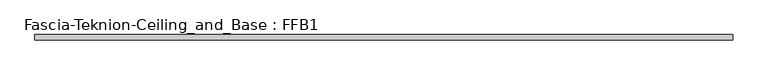
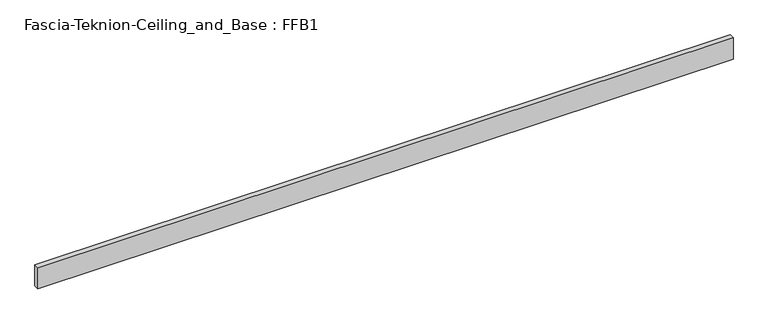
"""IFC4 building model written with IfcOpenShell, lengths in millimetres: proxy geometry, Fascia-Teknion-Ceiling_and_Base : FFB1."""

import ifcopenshell
import ifcopenshell.guid

model = None  # the IFC model being written
_history = None  # IfcOwnerHistory: only IFC2X3 demands one
_inside = {}  # id of a spatial element -> (the spatial element, [elements in it])
_under = {}  # id of a project, library or spatial element -> (it, [spatial elements below it])
_declared = {}  # id of a project -> (the project, [libraries it declares])
_typed = {}  # id of a type object -> (the type object, [elements of that type])
_made_of = {}  # id of a material, layer set ... -> (it, [elements and type objects made of it])


def new_model(schema):
    """Start an empty IFC model of exactly this schema.

    Asked for "IFC4X3", IfcOpenShell would pick the latest addendum, in which some entities
    have other attributes; the version numbers below select the first issue.
    IFC2X3 requires an IfcOwnerHistory on every rooted entity: one is made here for all.
    """
    global model, _history
    if schema == "IFC4X3":
        model = ifcopenshell.file(schema_version=(4, 3, 0, 0))
    else:
        model = ifcopenshell.file(schema=schema)
    _inside.clear()
    _under.clear()
    _declared.clear()
    _typed.clear()
    _made_of.clear()
    _history = None
    if model.schema == "IFC2X3":
        org = make("IfcOrganization", Name="unknown")
        user = make(
            "IfcPersonAndOrganization",
            ThePerson=make("IfcPerson", FamilyName="unknown"),
            TheOrganization=org,
        )
        app = make(
            "IfcApplication",
            ApplicationDeveloper=org,
            Version="unknown",
            ApplicationFullName="unknown",
            ApplicationIdentifier="unknown",
        )
        _history = make(
            "IfcOwnerHistory",
            OwningUser=user,
            OwningApplication=app,
            ChangeAction="ADDED",
            CreationDate=0,
        )
    return model


def make(cls, **values):
    """One entity of the class cls with the attributes given. An attribute that is None is left unset."""
    return model.create_entity(
        cls, **{name: value for name, value in values.items() if value is not None}
    )


def rooted(cls, **values):
    """An entity with a GlobalId (a new one), such as an element, a storey or a relation."""
    return make(cls, GlobalId=ifcopenshell.guid.new(), OwnerHistory=_history, **values)


def si_unit(unit_type, name, prefix=None):
    """IfcSIUnit, for example si_unit("LENGTHUNIT", "METRE", prefix="MILLI")."""
    return make("IfcSIUnit", UnitType=unit_type, Prefix=prefix, Name=name)


def assignment(units):
    """IfcUnitAssignment: the units of a project."""
    return None if units is None else make("IfcUnitAssignment", Units=units)


def point(xyz):
    """IfcCartesianPoint."""
    return None if xyz is None else make("IfcCartesianPoint", Coordinates=xyz)


def direction(xyz):
    """IfcDirection."""
    return None if xyz is None else make("IfcDirection", DirectionRatios=xyz)


def frame(location, z_axis=None, x_axis=None):
    """IfcAxis2Placement3D, a coordinate frame: its origin and axes. An axis left out is left unset."""
    return make(
        "IfcAxis2Placement3D",
        Location=point(location),
        Axis=direction(z_axis),
        RefDirection=direction(x_axis),
    )


def origin():
    """The frame at (0, 0, 0) with its axes left unset."""
    return frame((0.0, 0.0, 0.0))


def origin_with_axes():
    """The frame at (0, 0, 0) with the z axis (0, 0, 1) and the x axis (1, 0, 0) written out."""
    return frame((0.0, 0.0, 0.0), z_axis=(0.0, 0.0, 1.0), x_axis=(1.0, 0.0, 0.0))


def place(relative_to, where):
    """IfcLocalPlacement: puts the frame where relative to a parent placement (None: the world)."""
    return make(
        "IfcLocalPlacement", PlacementRelTo=relative_to, RelativePlacement=where
    )


def context(
    kind, dimensions, precision=None, world=None, true_north=None, identifier=None
):
    """IfcGeometricRepresentationContext, for example the 3D "Model" context."""
    return make(
        "IfcGeometricRepresentationContext",
        ContextIdentifier=identifier,
        ContextType=kind,
        CoordinateSpaceDimension=dimensions,
        Precision=precision,
        WorldCoordinateSystem=world,
        TrueNorth=true_north,
    )


def project(units=None, contexts=None):
    """IfcProject with its units and contexts."""
    return rooted(
        "IfcProject",
        Name="project",
        RepresentationContexts=contexts,
        UnitsInContext=assignment(units),
    )


def spatial(cls, under=None, at=None, **own):
    """A site, building, storey or space (cls), placed at a placement, below another one or the project."""
    s = rooted(cls, ObjectPlacement=at, **own)
    if under is not None:
        _under.setdefault(under.id(), (under, []))[1].append(s)
    return s


def polyline(points):
    """IfcPolyline through the points."""
    return make("IfcPolyline", Points=[point(p) for p in points])


def outline(outer, holes=None, kind="AREA"):
    """IfcArbitraryClosedProfileDef: a profile drawn as a closed curve; with holes, ...WithVoids."""
    if holes is None:
        return make("IfcArbitraryClosedProfileDef", ProfileType=kind, OuterCurve=outer)
    return make(
        "IfcArbitraryProfileDefWithVoids",
        ProfileType=kind,
        OuterCurve=outer,
        InnerCurves=holes,
    )


def extrude(swept, where, along, depth):
    """IfcExtrudedAreaSolid: the profile swept, set in the frame where, extruded along a direction by depth."""
    return make(
        "IfcExtrudedAreaSolid",
        SweptArea=swept,
        Position=where,
        ExtrudedDirection=direction(along),
        Depth=depth,
    )


def shape(context_of_items, identifier, shape_type, items):
    """IfcShapeRepresentation: the items that make up one representation, for example the "Body"."""
    return make(
        "IfcShapeRepresentation",
        ContextOfItems=context_of_items,
        RepresentationIdentifier=identifier,
        RepresentationType=shape_type,
        Items=items,
    )


def source(mapping_origin, context_of_items, identifier, shape_type, items):
    """IfcRepresentationMap: a shape defined once, which mapped items show again and again."""
    return make(
        "IfcRepresentationMap",
        MappingOrigin=mapping_origin,
        MappedRepresentation=shape(context_of_items, identifier, shape_type, items),
    )


def transform(
    local_origin,
    x_axis=None,
    y_axis=None,
    z_axis=None,
    scale=None,
    scale2=None,
    scale3=None,
    uniform=True,
):
    """IfcCartesianTransformationOperator3D, or its non-uniform kind. x_axis, y_axis, z_axis: its Axis1, 2, 3."""
    if uniform:
        return make(
            "IfcCartesianTransformationOperator3D",
            Axis1=direction(x_axis),
            Axis2=direction(y_axis),
            LocalOrigin=point(local_origin),
            Scale=scale,
            Axis3=direction(z_axis),
        )
    return make(
        "IfcCartesianTransformationOperator3DnonUniform",
        Axis1=direction(x_axis),
        Axis2=direction(y_axis),
        LocalOrigin=point(local_origin),
        Scale=scale,
        Axis3=direction(z_axis),
        Scale2=scale2,
        Scale3=scale3,
    )


def mapped(mapping_source, mapping_target):
    """IfcMappedItem: shows the shape of a source again, moved by a transform."""
    return make(
        "IfcMappedItem", MappingSource=mapping_source, MappingTarget=mapping_target
    )


def made_of(thing, what):
    """Note that an element or type object is made of a material, layer set ...; save() writes the relation."""
    if what is not None:
        _made_of.setdefault(what.id(), (what, []))[1].append(thing)
    return thing


def element(
    cls,
    number,
    at=None,
    inside=None,
    cuts=None,
    type_object=None,
    material=None,
    context=None,
    identifier="Body",
    shape_type=None,
    held_by="IfcProductDefinitionShape",
    body=None,
    shapes=None,
    **own,
):
    """One element of the class cls, such as IfcWall. Its Tag is "e" and its number.

    at: its placement. inside: the storey or other place that contains it. cuts: it is an
    opening in that element (IfcRelVoidsElement). A single representation is given by context,
    identifier, shape_type and body (its items); several are given by shapes. held_by: the class
    of the entity that holds the representations. save() writes the other relations.
    """
    e = rooted(cls, Tag="e%d" % number, ObjectPlacement=at, **own)
    if body is not None:
        shapes = [shape(context, identifier, shape_type, body)]
    if shapes is not None:
        e.Representation = make(held_by, Representations=shapes)
    if inside is not None:
        _inside.setdefault(inside.id(), (inside, []))[1].append(e)
    if cuts is not None:
        rooted(
            "IfcRelVoidsElement", RelatingBuildingElement=cuts, RelatedOpeningElement=e
        )
    if type_object is not None:
        _typed.setdefault(type_object.id(), (type_object, []))[1].append(e)
    return made_of(e, material)


def aggregate(whole, parts):
    """IfcRelAggregates: a whole, such as a stair, and the parts it consists of."""
    return rooted("IfcRelAggregates", RelatingObject=whole, RelatedObjects=parts)


def save(model, path):
    """Write the relations noted so far, then the file.

    IfcRelAggregates (storeys below a building ...), IfcRelContainedInSpatialStructure (elements
    in a storey), IfcRelDefinesByType, IfcRelAssociatesMaterial and IfcRelDeclares: one each for
    every whole, place, type object, material and project.
    """
    for whole, parts in _under.values():
        aggregate(whole, parts)
    for where, things in _inside.values():
        rooted(
            "IfcRelContainedInSpatialStructure",
            RelatedElements=things,
            RelatingStructure=where,
        )
    for kind, things in _typed.values():
        rooted("IfcRelDefinesByType", RelatedObjects=things, RelatingType=kind)
    for what, things in _made_of.values():
        rooted("IfcRelAssociatesMaterial", RelatedObjects=things, RelatingMaterial=what)
    for by, libraries in _declared.values():
        rooted("IfcRelDeclares", RelatingContext=by, RelatedDefinitions=libraries)
    model.write(path)


def fascia_teknion_ceiling_and_base_ffb1_6d2ad91a(model_context):
    return source(origin(), model_context, "Body", "SweptSolid", [
        extrude(outline(polyline([(1252.8407125, 0.0), (1252.8407125, -19.05), (-1252.8407125, -19.05), (-1252.8407125, 0.0), (1252.8407125, 0.0)])), origin_with_axes(), (0.0, 0.0, 1.0), 81.28),
    ])


if __name__ == "__main__":
    model = new_model("IFC4")
    model_context = context("Model", 3, world=origin())
    ifc_project = project(units=[si_unit("LENGTHUNIT", "METRE", prefix="MILLI")], contexts=[model_context])
    site = spatial("IfcSite", under=ifc_project)
    building = spatial("IfcBuilding", under=site)
    placement = place(None, origin())
    fascia_teknion_ceiling_and_base_ffb1_shape = fascia_teknion_ceiling_and_base_ffb1_6d2ad91a(model_context)
    element("IfcBuildingElementProxy", 1, Name="Fascia-Teknion-Ceiling_and_Base : FFB1", ObjectType="Fascia-Teknion-Ceiling_and_Base : FFB1", at=placement, inside=building, context=model_context, shape_type="MappedRepresentation", body=[
        mapped(fascia_teknion_ceiling_and_base_ffb1_shape, transform((0.0, 0.0, 0.0), x_axis=(1.0, 0.0, 0.0), y_axis=(0.0, 1.0, 0.0), z_axis=(0.0, 0.0, 1.0))),
    ])
    save(model, "model.ifc")
